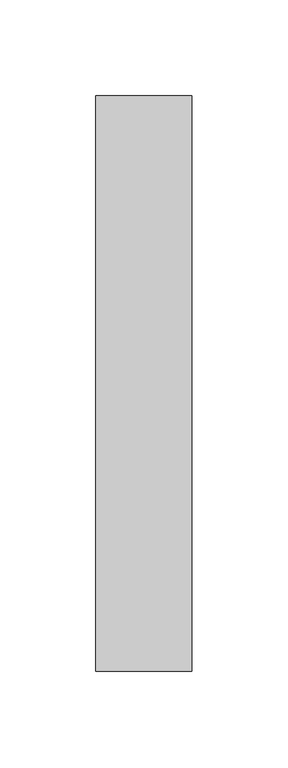
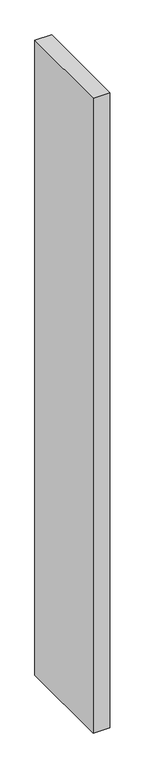
"""IFC4 building model written with IfcOpenShell, lengths in millimetres: member geometry."""

from ifc_helpers import new_model, si_unit, frame, origin, place, context, project, spatial, polyline, outline, extrude, source, transform, mapped, element, save


def member_dc321dfc(model_context):
    return source(origin(), model_context, "Body", "SweptSolid", [
        extrude(outline(polyline([(0.0, 279.0), (0.0, -21.0), (-50.0, -21.0), (-50.0, 279.0), (0.0, 279.0)])), frame((0.0, 0.0, -2000.0), z_axis=(0.0, 0.0, 1.0), x_axis=(1.0, 0.0, 0.0)), (0.0, 0.0, 1.0), 2000.0),
    ])


if __name__ == "__main__":
    model = new_model("IFC4")
    model_context = context("Model", 3, world=origin())
    ifc_project = project(units=[si_unit("LENGTHUNIT", "METRE", prefix="MILLI")], contexts=[model_context])
    site = spatial("IfcSite", under=ifc_project)
    building = spatial("IfcBuilding", under=site)
    placement = place(None, origin())
    member_shape = member_dc321dfc(model_context)
    element("IfcMember", 1, at=placement, inside=building, context=model_context, shape_type="MappedRepresentation", body=[
        mapped(member_shape, transform((0.0, 0.0, 0.0), x_axis=(1.0, 0.0, 0.0), y_axis=(0.0, 1.0, 0.0), z_axis=(0.0, 0.0, 1.0))),
    ])
    save(model, "model.ifc")
